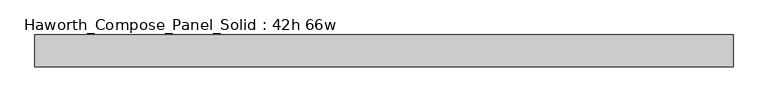
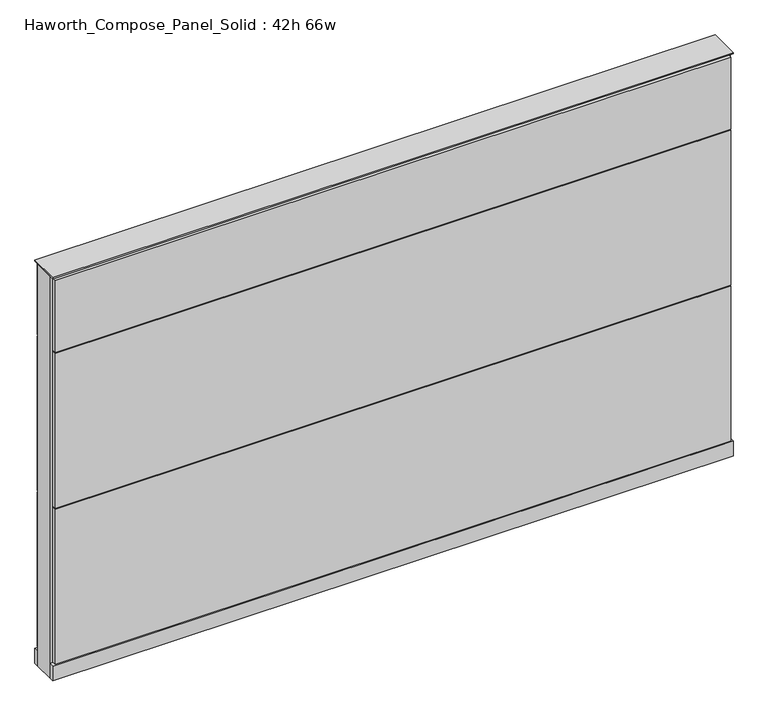
"""IFC4 building model written with IfcOpenShell, lengths in millimetres: furniture geometry, Haworth_Compose_Panel_Solid : 42h 66w."""

from ifc_helpers import new_model, si_unit, point, frame, frame_2d, origin, origin_with_axes, place, context, project, spatial, polyline, circle_curve, trimmed, segment, composite_curve, outline, extrude, source, transform, mapped, element, save


def haworth_compose_panel_solid_42h_66w_5beccc55(model_context):
    return source(origin(), model_context, "Body", "SweptSolid", [
        extrude(outline(composite_curve([segment(trimmed(circle_curve(frame_2d((-759.5597098, 0.0)), 12.7), [point((-772.2597098, 0.0))], [point((-746.8597098, 0.0))], False, "CARTESIAN"), True, "CONTINUOUS"), segment(trimmed(circle_curve(frame_2d((-759.5597098, 0.0)), 12.7), [point((-746.8597098, 0.0))], [point((-772.2597098, 0.0))], False, "CARTESIAN"), True, "CONTINUOUS")], self_intersect=False)), origin_with_axes(), (0.0, 0.0, 1.0), 12.7),
        extrude(outline(composite_curve([segment(trimmed(circle_curve(frame_2d((764.4402902, 0.0)), 12.7), [point((751.7402902, 0.0))], [point((777.1402902, 0.0))], False, "CARTESIAN"), True, "CONTINUOUS"), segment(trimmed(circle_curve(frame_2d((764.4402902, 0.0)), 12.7), [point((777.1402902, 0.0))], [point((751.7402902, 0.0))], False, "CARTESIAN"), True, "CONTINUOUS")], self_intersect=False)), origin_with_axes(), (0.0, 0.0, 1.0), 12.7),
        extrude(outline(polyline([(834.2902902, 38.1), (834.2902902, 25.4), (-829.4097098, 25.4), (-829.4097098, 38.1), (834.2902902, 38.1)])), frame((0.0, 0.0, 866.775), z_axis=(0.0, 0.0, 1.0), x_axis=(1.0, 0.0, 0.0)), (0.0, 0.0, 1.0), 187.325),
        extrude(outline(polyline([(834.2902902, 38.1), (834.2902902, 25.4), (-829.4097098, 25.4), (-829.4097098, 38.1), (834.2902902, 38.1)])), frame((0.0, 0.0, 460.375), z_axis=(0.0, 0.0, 1.0), x_axis=(1.0, 0.0, 0.0)), (0.0, 0.0, 1.0), 403.225),
        extrude(outline(polyline([(834.2902902, 38.1), (834.2902902, 25.4), (-829.4097098, 25.4), (-829.4097098, 38.1), (834.2902902, 38.1)])), frame((0.0, 0.0, 53.975), z_axis=(0.0, 0.0, 1.0), x_axis=(1.0, 0.0, 0.0)), (0.0, 0.0, 1.0), 403.225),
        extrude(outline(polyline([(834.2902902, -38.1), (-829.4097098, -38.1), (-829.4097098, -25.4), (834.2902902, -25.4), (834.2902902, -38.1)])), frame((0.0, 0.0, 866.775), z_axis=(0.0, 0.0, 1.0), x_axis=(1.0, 0.0, 0.0)), (0.0, 0.0, 1.0), 187.325),
        extrude(outline(polyline([(834.2902902, -38.1), (-829.4097098, -38.1), (-829.4097098, -25.4), (834.2902902, -25.4), (834.2902902, -38.1)])), frame((0.0, 0.0, 460.375), z_axis=(0.0, 0.0, 1.0), x_axis=(1.0, 0.0, 0.0)), (0.0, 0.0, 1.0), 403.225),
        extrude(outline(polyline([(834.2902902, -38.1), (-829.4097098, -38.1), (-829.4097098, -25.4), (834.2902902, -25.4), (834.2902902, -38.1)])), frame((0.0, 0.0, 53.975), z_axis=(0.0, 0.0, 1.0), x_axis=(1.0, 0.0, 0.0)), (0.0, 0.0, 1.0), 403.225),
        extrude(outline(polyline([(840.6402902, 25.4), (840.6402902, -25.4), (-835.7597098, -25.4), (-835.7597098, 25.4), (840.6402902, 25.4)])), frame((0.0, 0.0, 12.7), z_axis=(0.0, 0.0, 1.0), x_axis=(1.0, 0.0, 0.0)), (0.0, 0.0, 1.0), 1047.75),
        extrude(outline(polyline([(-835.7597098, -38.1), (-835.7597098, 38.1), (840.6402902, 38.1), (840.6402902, -38.1), (-835.7597098, -38.1)])), frame((0.0, 0.0, 12.7), z_axis=(0.0, 0.0, 1.0), x_axis=(1.0, 0.0, 0.0)), (0.0, 0.0, 1.0), 38.1),
        extrude(outline(polyline([(-835.7597098, -38.1), (-835.7597098, 38.1), (840.6402902, 38.1), (840.6402902, -38.1), (-835.7597098, -38.1)])), frame((0.0, 0.0, 1060.45), z_axis=(0.0, 0.0, 1.0), x_axis=(1.0, 0.0, 0.0)), (0.0, 0.0, 1.0), 3.175),
    ])


if __name__ == "__main__":
    model = new_model("IFC4")
    model_context = context("Model", 3, world=origin())
    ifc_project = project(units=[si_unit("LENGTHUNIT", "METRE", prefix="MILLI")], contexts=[model_context])
    site = spatial("IfcSite", under=ifc_project)
    building = spatial("IfcBuilding", under=site)
    placement = place(None, origin())
    haworth_compose_panel_solid_42h_66w_shape = haworth_compose_panel_solid_42h_66w_5beccc55(model_context)
    element("IfcFurniture", 1, ObjectType="Haworth_Compose_Panel_Solid : 42h 66w", at=placement, inside=building, context=model_context, shape_type="MappedRepresentation", body=[
        mapped(haworth_compose_panel_solid_42h_66w_shape, transform((0.0, 0.0, 0.0), x_axis=(1.0, 0.0, 0.0), y_axis=(0.0, 1.0, 0.0), z_axis=(0.0, 0.0, 1.0))),
    ])
    save(model, "model.ifc")
